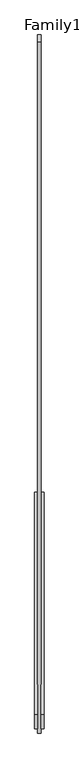
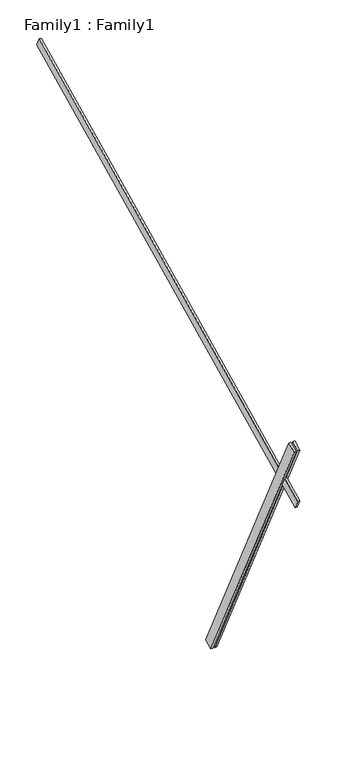
"""IFC4 building model written with IfcOpenShell, lengths in millimetres: proxy geometry, Family1 : Family1."""

from ifc_helpers import new_model, si_unit, frame, origin, place, context, project, spatial, polyline, outline, extrude, source, transform, mapped, element, save


def family1_family1_33378d91(model_context):
    return source(origin(), model_context, "Body", "SweptSolid", [
        extrude(outline(polyline([(0.0, 0.0), (-100.0000001, 0.0), (-100.0000001, 20.0), (0.0, 20.0), (0.0, 0.0)])), frame((-30.0, -46.3241747, -22.5938096), z_axis=(0.0, -0.4383711467890692, 0.8987940462991711), x_axis=(0.0, -0.8987940462991711, -0.4383711467890692)), (0.0, 0.0, 1.0), 3300.0),
        extrude(outline(polyline([(0.0, 0.0), (-99.9999999, 0.0), (-99.9999999, 20.0), (0.0, 20.0), (0.0, 0.0)])), frame((10.0, -45.270232, -22.0797674), z_axis=(0.0, -0.4383711467890692, 0.8987940462991711), x_axis=(0.0, -0.8987940462991711, -0.4383711467890692)), (0.0, 0.0, 1.0), 3300.0),
        extrude(outline(polyline([(0.0, 20.0), (5000.0, 20.0), (5000.0, 0.0), (0.0, 0.0), (0.0, 20.0)])), frame((-10.0, 3017.2496682, 4531.2663273), z_axis=(0.0, -0.43837114678907957, 0.8987940462991659), x_axis=(0.0, -0.8987940462991659, -0.43837114678907957)), (0.0, 0.0, 1.0), 100.0),
    ])


if __name__ == "__main__":
    model = new_model("IFC4")
    model_context = context("Model", 3, world=origin())
    ifc_project = project(units=[si_unit("LENGTHUNIT", "METRE", prefix="MILLI")], contexts=[model_context])
    site = spatial("IfcSite", under=ifc_project)
    building = spatial("IfcBuilding", under=site)
    placement = place(None, origin())
    family1_family1_shape = family1_family1_33378d91(model_context)
    element("IfcBuildingElementProxy", 1, Name="Family1 : Family1", ObjectType="Family1 : Family1", at=placement, inside=building, context=model_context, shape_type="MappedRepresentation", body=[
        mapped(family1_family1_shape, transform((0.0, 0.0, 0.0), x_axis=(1.0, 0.0, 0.0), y_axis=(0.0, 1.0, 0.0), z_axis=(0.0, 0.0, 1.0))),
    ])
    save(model, "model.ifc")
